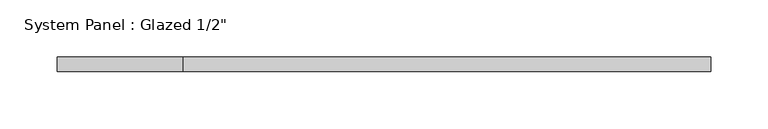
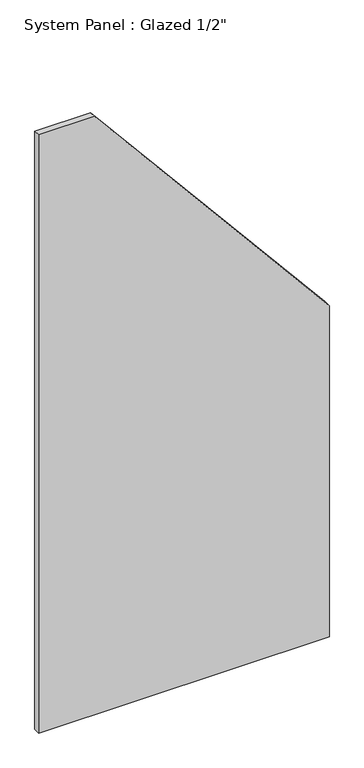
"""IFC4 building model written with IfcOpenShell, lengths in millimetres: plate geometry."""

from ifc_helpers import new_model, si_unit, frame, origin, place, context, project, spatial, polyline, outline, extrude, source, transform, mapped, element, save


def plate_09aca993(model_context):
    return source(origin(), model_context, "Body", "SweptSolid", [
        extrude(outline(polyline([(0.0, -285.56239), (0.0, 285.56239), (687.4753752, 285.56239), (1241.5880352, -175.4872119), (1241.5880352, -285.56239), (0.0, -285.56239)])), frame((0.0, -6.35, 0.0), z_axis=(0.0, 1.0, 0.0), x_axis=(0.0, 0.0, 1.0)), (0.0, 0.0, 1.0), 12.7),
    ])


if __name__ == "__main__":
    model = new_model("IFC4")
    model_context = context("Model", 3, world=origin())
    ifc_project = project(units=[si_unit("LENGTHUNIT", "METRE", prefix="MILLI")], contexts=[model_context])
    site = spatial("IfcSite", under=ifc_project)
    building = spatial("IfcBuilding", under=site)
    placement = place(None, origin())
    plate_shape = plate_09aca993(model_context)
    element("IfcPlate", 1, ObjectType="System Panel : Glazed 1/2\"", at=placement, inside=building, context=model_context, shape_type="MappedRepresentation", body=[
        mapped(plate_shape, transform((0.0, 0.0, 0.0), x_axis=(1.0, 0.0, 0.0), y_axis=(0.0, 1.0, 0.0), z_axis=(0.0, 0.0, 1.0))),
    ])
    save(model, "model.ifc")
